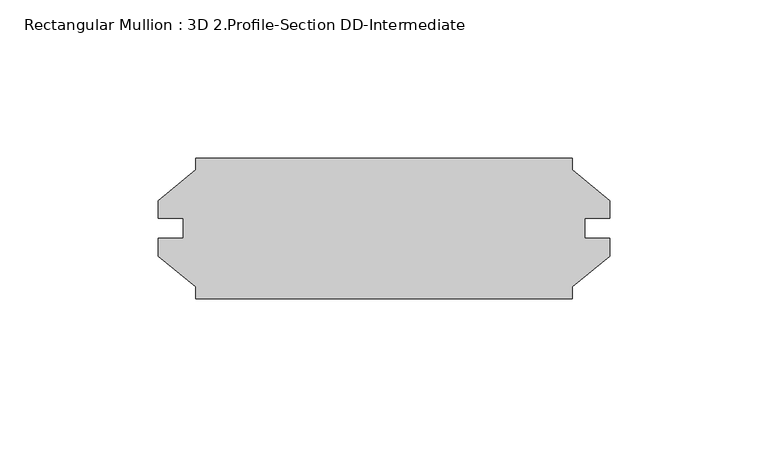
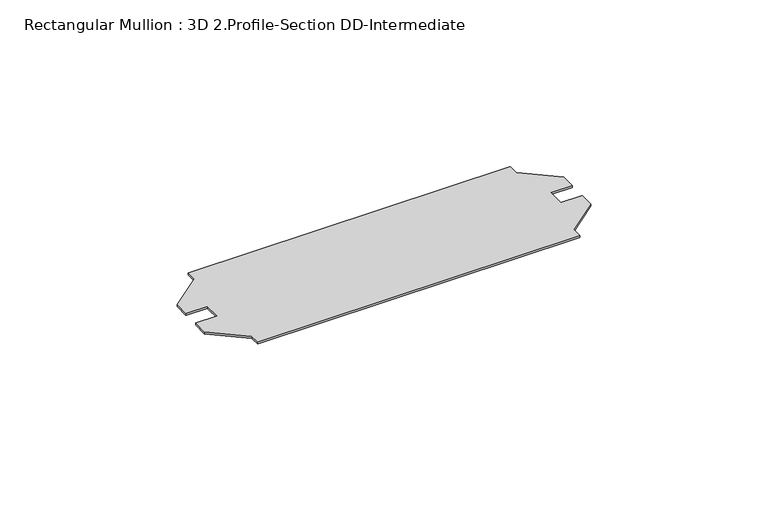
"""IFC4 building model written with IfcOpenShell, lengths in millimetres: member geometry, Rectangular Mullion : 3D 2.Profile-Section DD-Intermediate."""

import ifcopenshell
import ifcopenshell.guid

model = None  # the IFC model being written
_history = None  # IfcOwnerHistory: only IFC2X3 demands one
_inside = {}  # id of a spatial element -> (the spatial element, [elements in it])
_under = {}  # id of a project, library or spatial element -> (it, [spatial elements below it])
_declared = {}  # id of a project -> (the project, [libraries it declares])
_typed = {}  # id of a type object -> (the type object, [elements of that type])
_made_of = {}  # id of a material, layer set ... -> (it, [elements and type objects made of it])


def new_model(schema):
    """Start an empty IFC model of exactly this schema.

    Asked for "IFC4X3", IfcOpenShell would pick the latest addendum, in which some entities
    have other attributes; the version numbers below select the first issue.
    IFC2X3 requires an IfcOwnerHistory on every rooted entity: one is made here for all.
    """
    global model, _history
    if schema == "IFC4X3":
        model = ifcopenshell.file(schema_version=(4, 3, 0, 0))
    else:
        model = ifcopenshell.file(schema=schema)
    _inside.clear()
    _under.clear()
    _declared.clear()
    _typed.clear()
    _made_of.clear()
    _history = None
    if model.schema == "IFC2X3":
        org = make("IfcOrganization", Name="unknown")
        user = make(
            "IfcPersonAndOrganization",
            ThePerson=make("IfcPerson", FamilyName="unknown"),
            TheOrganization=org,
        )
        app = make(
            "IfcApplication",
            ApplicationDeveloper=org,
            Version="unknown",
            ApplicationFullName="unknown",
            ApplicationIdentifier="unknown",
        )
        _history = make(
            "IfcOwnerHistory",
            OwningUser=user,
            OwningApplication=app,
            ChangeAction="ADDED",
            CreationDate=0,
        )
    return model


def make(cls, **values):
    """One entity of the class cls with the attributes given. An attribute that is None is left unset."""
    return model.create_entity(
        cls, **{name: value for name, value in values.items() if value is not None}
    )


def rooted(cls, **values):
    """An entity with a GlobalId (a new one), such as an element, a storey or a relation."""
    return make(cls, GlobalId=ifcopenshell.guid.new(), OwnerHistory=_history, **values)


def si_unit(unit_type, name, prefix=None):
    """IfcSIUnit, for example si_unit("LENGTHUNIT", "METRE", prefix="MILLI")."""
    return make("IfcSIUnit", UnitType=unit_type, Prefix=prefix, Name=name)


def assignment(units):
    """IfcUnitAssignment: the units of a project."""
    return None if units is None else make("IfcUnitAssignment", Units=units)


def point(xyz):
    """IfcCartesianPoint."""
    return None if xyz is None else make("IfcCartesianPoint", Coordinates=xyz)


def direction(xyz):
    """IfcDirection."""
    return None if xyz is None else make("IfcDirection", DirectionRatios=xyz)


def frame(location, z_axis=None, x_axis=None):
    """IfcAxis2Placement3D, a coordinate frame: its origin and axes. An axis left out is left unset."""
    return make(
        "IfcAxis2Placement3D",
        Location=point(location),
        Axis=direction(z_axis),
        RefDirection=direction(x_axis),
    )


def origin():
    """The frame at (0, 0, 0) with its axes left unset."""
    return frame((0.0, 0.0, 0.0))


def place(relative_to, where):
    """IfcLocalPlacement: puts the frame where relative to a parent placement (None: the world)."""
    return make(
        "IfcLocalPlacement", PlacementRelTo=relative_to, RelativePlacement=where
    )


def context(
    kind, dimensions, precision=None, world=None, true_north=None, identifier=None
):
    """IfcGeometricRepresentationContext, for example the 3D "Model" context."""
    return make(
        "IfcGeometricRepresentationContext",
        ContextIdentifier=identifier,
        ContextType=kind,
        CoordinateSpaceDimension=dimensions,
        Precision=precision,
        WorldCoordinateSystem=world,
        TrueNorth=true_north,
    )


def project(units=None, contexts=None):
    """IfcProject with its units and contexts."""
    return rooted(
        "IfcProject",
        Name="project",
        RepresentationContexts=contexts,
        UnitsInContext=assignment(units),
    )


def spatial(cls, under=None, at=None, **own):
    """A site, building, storey or space (cls), placed at a placement, below another one or the project."""
    s = rooted(cls, ObjectPlacement=at, **own)
    if under is not None:
        _under.setdefault(under.id(), (under, []))[1].append(s)
    return s


def polyline(points):
    """IfcPolyline through the points."""
    return make("IfcPolyline", Points=[point(p) for p in points])


def outline(outer, holes=None, kind="AREA"):
    """IfcArbitraryClosedProfileDef: a profile drawn as a closed curve; with holes, ...WithVoids."""
    if holes is None:
        return make("IfcArbitraryClosedProfileDef", ProfileType=kind, OuterCurve=outer)
    return make(
        "IfcArbitraryProfileDefWithVoids",
        ProfileType=kind,
        OuterCurve=outer,
        InnerCurves=holes,
    )


def extrude(swept, where, along, depth):
    """IfcExtrudedAreaSolid: the profile swept, set in the frame where, extruded along a direction by depth."""
    return make(
        "IfcExtrudedAreaSolid",
        SweptArea=swept,
        Position=where,
        ExtrudedDirection=direction(along),
        Depth=depth,
    )


def shape(context_of_items, identifier, shape_type, items):
    """IfcShapeRepresentation: the items that make up one representation, for example the "Body"."""
    return make(
        "IfcShapeRepresentation",
        ContextOfItems=context_of_items,
        RepresentationIdentifier=identifier,
        RepresentationType=shape_type,
        Items=items,
    )


def source(mapping_origin, context_of_items, identifier, shape_type, items):
    """IfcRepresentationMap: a shape defined once, which mapped items show again and again."""
    return make(
        "IfcRepresentationMap",
        MappingOrigin=mapping_origin,
        MappedRepresentation=shape(context_of_items, identifier, shape_type, items),
    )


def transform(
    local_origin,
    x_axis=None,
    y_axis=None,
    z_axis=None,
    scale=None,
    scale2=None,
    scale3=None,
    uniform=True,
):
    """IfcCartesianTransformationOperator3D, or its non-uniform kind. x_axis, y_axis, z_axis: its Axis1, 2, 3."""
    if uniform:
        return make(
            "IfcCartesianTransformationOperator3D",
            Axis1=direction(x_axis),
            Axis2=direction(y_axis),
            LocalOrigin=point(local_origin),
            Scale=scale,
            Axis3=direction(z_axis),
        )
    return make(
        "IfcCartesianTransformationOperator3DnonUniform",
        Axis1=direction(x_axis),
        Axis2=direction(y_axis),
        LocalOrigin=point(local_origin),
        Scale=scale,
        Axis3=direction(z_axis),
        Scale2=scale2,
        Scale3=scale3,
    )


def mapped(mapping_source, mapping_target):
    """IfcMappedItem: shows the shape of a source again, moved by a transform."""
    return make(
        "IfcMappedItem", MappingSource=mapping_source, MappingTarget=mapping_target
    )


def made_of(thing, what):
    """Note that an element or type object is made of a material, layer set ...; save() writes the relation."""
    if what is not None:
        _made_of.setdefault(what.id(), (what, []))[1].append(thing)
    return thing


def element(
    cls,
    number,
    at=None,
    inside=None,
    cuts=None,
    type_object=None,
    material=None,
    context=None,
    identifier="Body",
    shape_type=None,
    held_by="IfcProductDefinitionShape",
    body=None,
    shapes=None,
    **own,
):
    """One element of the class cls, such as IfcWall. Its Tag is "e" and its number.

    at: its placement. inside: the storey or other place that contains it. cuts: it is an
    opening in that element (IfcRelVoidsElement). A single representation is given by context,
    identifier, shape_type and body (its items); several are given by shapes. held_by: the class
    of the entity that holds the representations. save() writes the other relations.
    """
    e = rooted(cls, Tag="e%d" % number, ObjectPlacement=at, **own)
    if body is not None:
        shapes = [shape(context, identifier, shape_type, body)]
    if shapes is not None:
        e.Representation = make(held_by, Representations=shapes)
    if inside is not None:
        _inside.setdefault(inside.id(), (inside, []))[1].append(e)
    if cuts is not None:
        rooted(
            "IfcRelVoidsElement", RelatingBuildingElement=cuts, RelatedOpeningElement=e
        )
    if type_object is not None:
        _typed.setdefault(type_object.id(), (type_object, []))[1].append(e)
    return made_of(e, material)


def aggregate(whole, parts):
    """IfcRelAggregates: a whole, such as a stair, and the parts it consists of."""
    return rooted("IfcRelAggregates", RelatingObject=whole, RelatedObjects=parts)


def save(model, path):
    """Write the relations noted so far, then the file.

    IfcRelAggregates (storeys below a building ...), IfcRelContainedInSpatialStructure (elements
    in a storey), IfcRelDefinesByType, IfcRelAssociatesMaterial and IfcRelDeclares: one each for
    every whole, place, type object, material and project.
    """
    for whole, parts in _under.values():
        aggregate(whole, parts)
    for where, things in _inside.values():
        rooted(
            "IfcRelContainedInSpatialStructure",
            RelatedElements=things,
            RelatingStructure=where,
        )
    for kind, things in _typed.values():
        rooted("IfcRelDefinesByType", RelatedObjects=things, RelatingType=kind)
    for what, things in _made_of.values():
        rooted("IfcRelAssociatesMaterial", RelatedObjects=things, RelatingMaterial=what)
    for by, libraries in _declared.values():
        rooted("IfcRelDeclares", RelatingContext=by, RelatedDefinitions=libraries)
    model.write(path)


def rectangular_mullion_3d_2_profile_section_dd_intermediate_4e4deec3(model_context):
    return source(origin(), model_context, "Body", "SweptSolid", [
        extrude(outline(polyline([(-57.9374, -22.26945), (-57.9374, -18.563286), (-69.84365, -8.79475), (-69.84365, -3.21945), (-61.8998, -3.21945), (-61.8998, 3.13055), (-69.84365, 3.13055), (-69.84365, 8.70585), (-57.9374, 18.474386), (-57.9374, 22.18055), (61.1124, 22.18055), (61.1561509, 18.4384904), (73.01865, 8.70585), (73.01865, 3.13055), (65.0748, 3.13055), (65.0748, -3.21945), (73.01865, -3.21945), (73.01865, -8.79475), (61.1124, -18.563286), (61.1124, -22.26945), (-57.9374, -22.26945)])), frame((0.0, 0.0, -0.79375), z_axis=(0.0, 0.0, 1.0), x_axis=(1.0, 0.0, 0.0)), (0.0, 0.0, 1.0), 0.79375),
    ])


if __name__ == "__main__":
    model = new_model("IFC4")
    model_context = context("Model", 3, world=origin())
    ifc_project = project(units=[si_unit("LENGTHUNIT", "METRE", prefix="MILLI")], contexts=[model_context])
    site = spatial("IfcSite", under=ifc_project)
    building = spatial("IfcBuilding", under=site)
    placement = place(None, origin())
    rectangular_mullion_3d_2_profile_section_dd_intermediate_shape = rectangular_mullion_3d_2_profile_section_dd_intermediate_4e4deec3(model_context)
    element("IfcMember", 1, ObjectType="Rectangular Mullion : 3D 2.Profile-Section DD-Intermediate", at=placement, inside=building, context=model_context, shape_type="MappedRepresentation", body=[
        mapped(rectangular_mullion_3d_2_profile_section_dd_intermediate_shape, transform((0.0, 0.0, 0.0), x_axis=(1.0, 0.0, 0.0), y_axis=(0.0, 1.0, 0.0), z_axis=(0.0, 0.0, 1.0))),
    ])
    save(model, "model.ifc")
